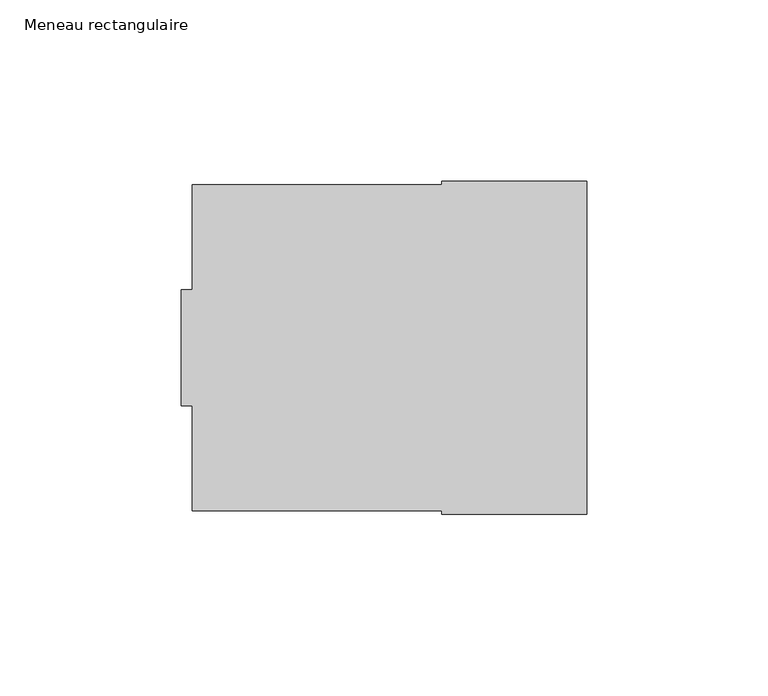
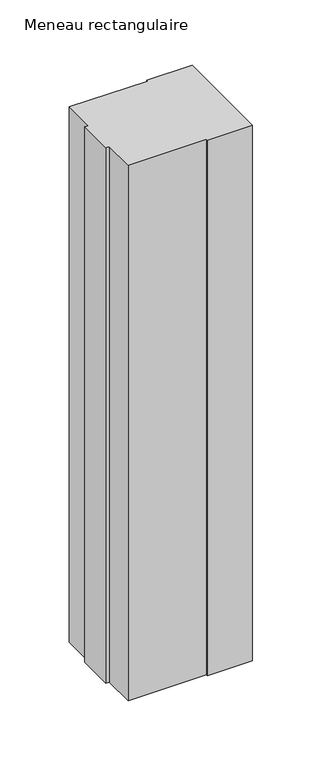
"""IFC4 building model written with IfcOpenShell, lengths in millimetres: member geometry, Meneau rectangulaire."""

from ifc_helpers import new_model, si_unit, frame, origin, place, context, project, spatial, polyline, outline, extrude, source, transform, mapped, element, save


def meneau_rectangulaire_9fe2d2b7(model_context):
    return source(origin(), model_context, "Body", "SweptSolid", [
        extrude(outline(polyline([(-109.0, 16.0), (-109.0, 45.0), (-40.0, 45.0), (-40.0, 46.0), (0.0, 46.0), (0.0, -46.0), (-40.0, -46.0), (-40.0, -45.0), (-109.0, -45.0), (-109.0, -16.0), (-112.0, -16.0), (-112.0, 16.0), (-109.0, 16.0)])), frame((0.0, 0.0, -500.0), z_axis=(0.0, 0.0, 1.0), x_axis=(1.0, 0.0, 0.0)), (0.0, 0.0, 1.0), 500.0),
    ])


if __name__ == "__main__":
    model = new_model("IFC4")
    model_context = context("Model", 3, world=origin())
    ifc_project = project(units=[si_unit("LENGTHUNIT", "METRE", prefix="MILLI")], contexts=[model_context])
    site = spatial("IfcSite", under=ifc_project)
    building = spatial("IfcBuilding", under=site)
    placement = place(None, origin())
    meneau_rectangulaire_shape = meneau_rectangulaire_9fe2d2b7(model_context)
    element("IfcMember", 1, ObjectType="Meneau rectangulaire", at=placement, inside=building, context=model_context, shape_type="MappedRepresentation", body=[
        mapped(meneau_rectangulaire_shape, transform((0.0, 0.0, 0.0), x_axis=(1.0, 0.0, 0.0), y_axis=(0.0, 1.0, 0.0), z_axis=(0.0, 0.0, 1.0))),
    ])
    save(model, "model.ifc")
